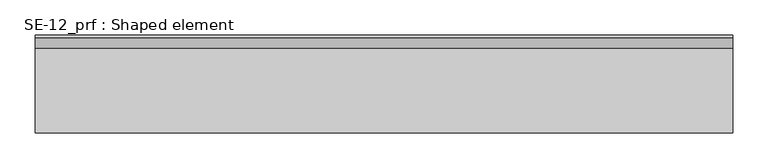
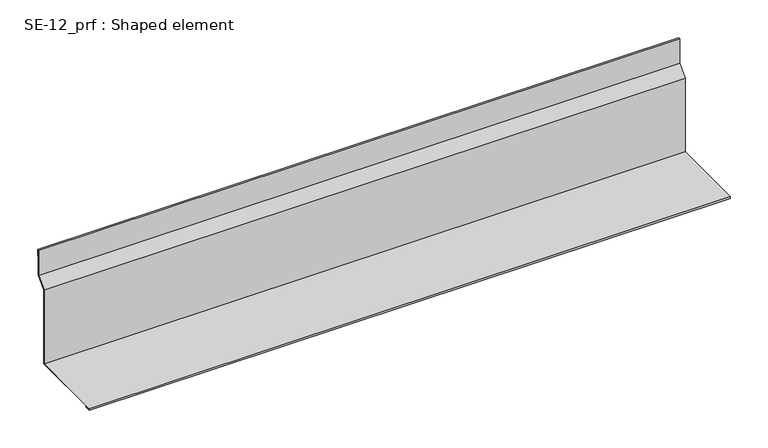
"""IFC4 building model written with IfcOpenShell, lengths in millimetres: proxy geometry, SE-12_prf : Shaped element."""

from ifc_helpers import new_model, si_unit, frame, origin, place, context, project, spatial, polyline, outline, extrude, source, transform, mapped, element, save


def se_12_prf_shaped_element_18057314(model_context):
    return source(origin(), model_context, "Body", "SweptSolid", [
        extrude(outline(polyline([(-139.8492424, 2.0), (-139.8492424, 5.0), (-19.8492424, 5.0), (-19.8492424, 125.0), (-5.0, 139.8492424), (-5.0, 179.8492424), (-2.0, 179.8492424), (-2.0, 169.8492424), (-3.0, 169.8492424), (-3.0, 178.8492424), (-4.0, 178.8492424), (-4.0, 139.4350288), (-18.8492424, 124.5857864), (-18.8492424, 4.0), (-139.211731, 4.0), (-139.211731, 3.0), (-129.8492424, 3.0), (-129.8492424, 2.0), (-139.8492424, 2.0)])), frame((0.0, 0.0, 0.0), z_axis=(1.0, 0.0, 0.0), x_axis=(0.0, 1.0, 0.0)), (0.0, 0.0, 1.0), 984.4874325),
    ])


if __name__ == "__main__":
    model = new_model("IFC4")
    model_context = context("Model", 3, world=origin())
    ifc_project = project(units=[si_unit("LENGTHUNIT", "METRE", prefix="MILLI")], contexts=[model_context])
    site = spatial("IfcSite", under=ifc_project)
    building = spatial("IfcBuilding", under=site)
    placement = place(None, origin())
    se_12_prf_shaped_element_shape = se_12_prf_shaped_element_18057314(model_context)
    element("IfcBuildingElementProxy", 1, Name="SE-12_prf : Shaped element", ObjectType="SE-12_prf : Shaped element", at=placement, inside=building, context=model_context, shape_type="MappedRepresentation", body=[
        mapped(se_12_prf_shaped_element_shape, transform((0.0, 0.0, 0.0), x_axis=(1.0, 0.0, 0.0), y_axis=(0.0, 1.0, 0.0), z_axis=(0.0, 0.0, 1.0))),
    ])
    save(model, "model.ifc")
